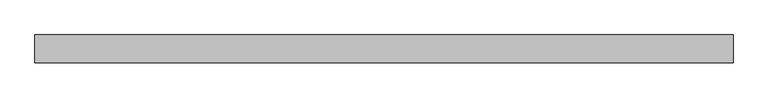
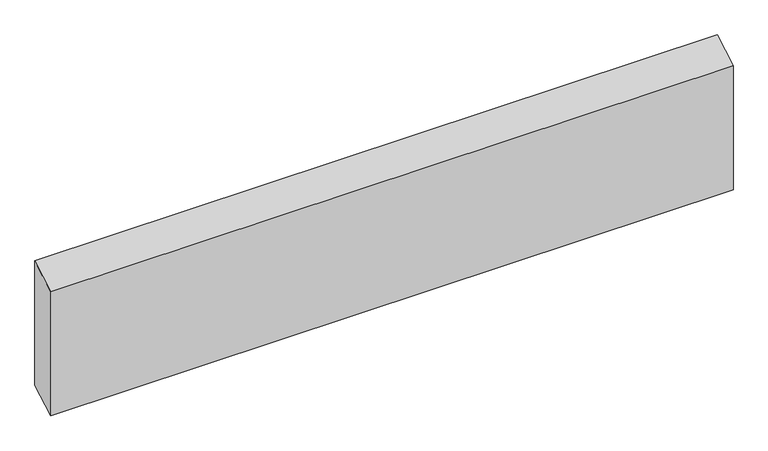
"""IFC4 building model written with IfcOpenShell, lengths in millimetres: beam geometry."""

from ifc_helpers import new_model, si_unit, frame, origin, place, context, project, spatial, polyline, outline, extrude, source, transform, mapped, element, save


def beam_478de237(model_context):
    return source(origin(), model_context, "Body", "SweptSolid", [
        extrude(outline(polyline([(24.0, 129.7703666), (24.0, -101.7703666), (-24.0, -129.7703666), (-24.0, 101.7703666), (24.0, 129.7703666)])), frame((-601.0, 0.0, 0.0), z_axis=(1.0, 0.0, 0.0), x_axis=(0.0, 1.0, 0.0)), (0.0, 0.0, 1.0), 1202.0),
    ])


if __name__ == "__main__":
    model = new_model("IFC4")
    model_context = context("Model", 3, world=origin())
    ifc_project = project(units=[si_unit("LENGTHUNIT", "METRE", prefix="MILLI")], contexts=[model_context])
    site = spatial("IfcSite", under=ifc_project)
    building = spatial("IfcBuilding", under=site)
    placement = place(None, origin())
    beam_shape = beam_478de237(model_context)
    element("IfcBeam", 1, at=placement, inside=building, context=model_context, shape_type="MappedRepresentation", body=[
        mapped(beam_shape, transform((0.0, 0.0, 0.0), x_axis=(1.0, 0.0, 0.0), y_axis=(0.0, 1.0, 0.0), z_axis=(0.0, 0.0, 1.0))),
    ])
    save(model, "model.ifc")
